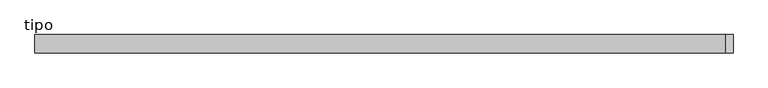
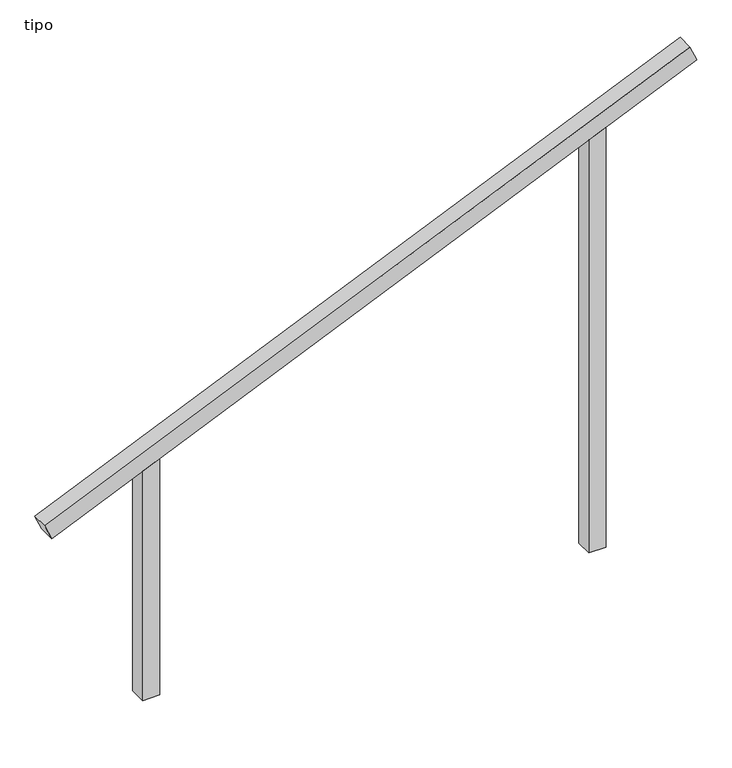
"""IFC4 building model written with IfcOpenShell, lengths in millimetres: proxy geometry, tipo."""

from ifc_helpers import new_model, si_unit, frame, origin, place, context, project, spatial, polyline, outline, extrude, source, transform, mapped, element, save


def tipo_3d0964e0(model_context):
    return source(origin(), model_context, "Body", "SweptSolid", [
        extrude(outline(polyline([(0.0, -4100.0), (0.0, 0.0), (100.0, 0.0), (100.0, -4100.0), (0.0, -4100.0)])), frame((-1880.4126113, -100.0, 1183.5758386), z_axis=(-0.39825568847446724, 0.0, 0.9172744445354009), x_axis=(0.0, 1.0, 0.0)), (0.0, 0.0, 1.0), 100.0),
        extrude(outline(polyline([(2586.1333897, 1350.0), (2542.7161016, 1250.0), (0.0, 1250.0), (0.0, 1350.0), (2586.1333897, 1350.0)])), frame((0.0, -100.0, 0.0), z_axis=(0.0, 1.0, 0.0), x_axis=(0.0, 0.0, 1.0)), (0.0, 0.0, 1.0), 100.0),
        extrude(outline(polyline([(1413.8666103, -1350.0), (0.0, -1350.0), (0.0, -1250.0), (1457.2838984, -1250.0), (1413.8666103, -1350.0)])), frame((0.0, -100.0, 0.0), z_axis=(0.0, 1.0, 0.0), x_axis=(0.0, 0.0, 1.0)), (0.0, 0.0, 1.0), 100.0),
    ])


if __name__ == "__main__":
    model = new_model("IFC4")
    model_context = context("Model", 3, world=origin())
    ifc_project = project(units=[si_unit("LENGTHUNIT", "METRE", prefix="MILLI")], contexts=[model_context])
    site = spatial("IfcSite", under=ifc_project)
    building = spatial("IfcBuilding", under=site)
    placement = place(None, origin())
    tipo_shape = tipo_3d0964e0(model_context)
    element("IfcBuildingElementProxy", 1, Name="tipo", ObjectType="tipo", at=placement, inside=building, context=model_context, shape_type="MappedRepresentation", body=[
        mapped(tipo_shape, transform((0.0, 0.0, 0.0), x_axis=(1.0, 0.0, 0.0), y_axis=(0.0, 1.0, 0.0), z_axis=(0.0, 0.0, 1.0))),
    ])
    save(model, "model.ifc")
